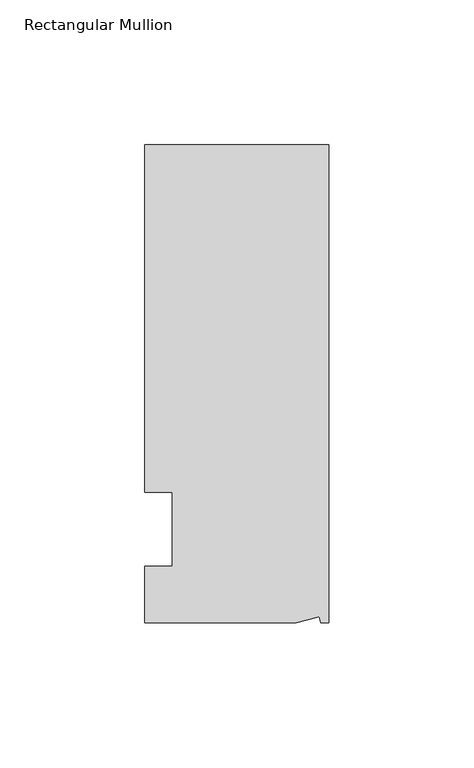
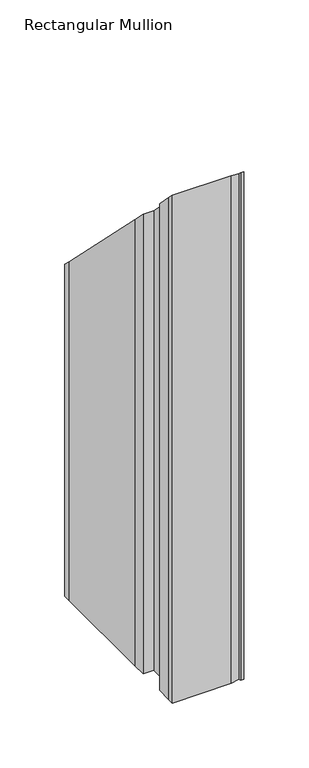
"""IFC4 building model written with IfcOpenShell, lengths in millimetres: member geometry, Rectangular Mullion."""

from ifc_helpers import new_model, si_unit, origin, place, context, project, spatial, faceted_brep, source, transform, mapped, element, save


def rectangular_mullion_693d7d5b(model_context):
    return source(origin(), model_context, "Body", "Brep", [
        faceted_brep([(-3.3457217, -17.5748952, 17.5748952), (-11.1265412, -19.6597595, 19.6597595), (-11.1265412, -19.6597595, -457.2), (-3.3457217, -17.5748952, -457.2), (-2.787084, -19.6597595, 19.6597595), (-2.787084, -19.6597595, -457.2), (0.0, -19.6597595, 19.6597595), (0.0, -19.6597595, -457.2), (0.0, 145.4402405, -145.4402405), (0.0, 145.4402405, -457.2), (-63.5, 145.4402405, -145.4402405), (-63.5, 145.4402405, -457.2), (-63.5, 38.3358837, -38.3358837), (-63.5, 139.0912527, -139.0912527), (-63.5, 139.0912527, -457.2), (-63.5, 38.3358837, -457.2), (-53.975, 25.4, -25.4), (-63.5, 25.4, -25.4), (-63.5, 25.4, -457.2), (-53.975, 25.4, -457.2), (-53.975, 0.0, 0.0), (-53.975, 0.0, -457.2), (-63.5, 0.0, 0.0), (-63.5, 0.0, -457.2), (-63.5, -13.6146679, 13.6146679), (-63.5, -13.6146679, -457.2), (-63.5, -19.6597595, 19.6597595), (-63.5, -19.6597595, -457.2)], [[[0, 1, 2, 3]], [[4, 0, 3, 5]], [[6, 4, 5, 7]], [[8, 6, 7, 9]], [[10, 8, 9, 11]], [[12, 13, 14, 15]], [[16, 17, 18, 19]], [[20, 16, 19, 21]], [[22, 20, 21, 23]], [[24, 22, 23, 25]], [[1, 26, 27, 2]], [[1, 0, 4, 6, 8, 10, 13, 12, 17, 16, 20, 22, 24, 26]], [[2, 27, 25, 23, 21, 19, 18, 15, 14, 11, 9, 7, 5, 3]], [[13, 10, 11, 14]], [[17, 12, 15, 18]], [[26, 24, 25, 27]]]),
    ])


if __name__ == "__main__":
    model = new_model("IFC4")
    model_context = context("Model", 3, world=origin())
    ifc_project = project(units=[si_unit("LENGTHUNIT", "METRE", prefix="MILLI")], contexts=[model_context])
    site = spatial("IfcSite", under=ifc_project)
    building = spatial("IfcBuilding", under=site)
    placement = place(None, origin())
    rectangular_mullion_shape = rectangular_mullion_693d7d5b(model_context)
    element("IfcMember", 1, ObjectType="Rectangular Mullion", at=placement, inside=building, context=model_context, shape_type="MappedRepresentation", body=[
        mapped(rectangular_mullion_shape, transform((0.0, 0.0, 0.0), x_axis=(1.0, 0.0, 0.0), y_axis=(0.0, 1.0, 0.0), z_axis=(0.0, 0.0, 1.0))),
    ])
    save(model, "model.ifc")
